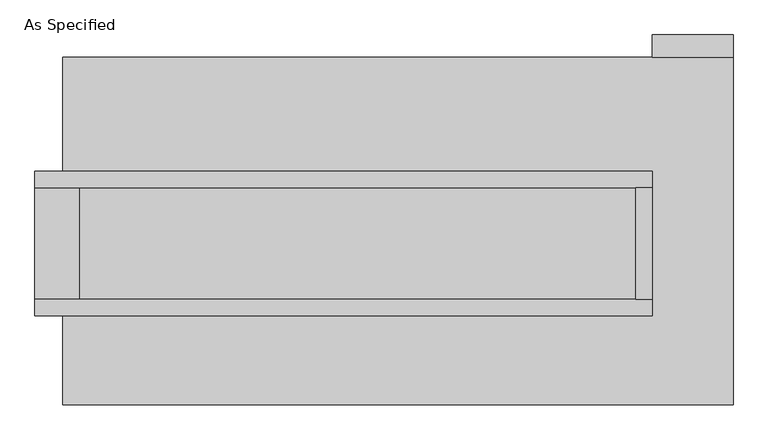
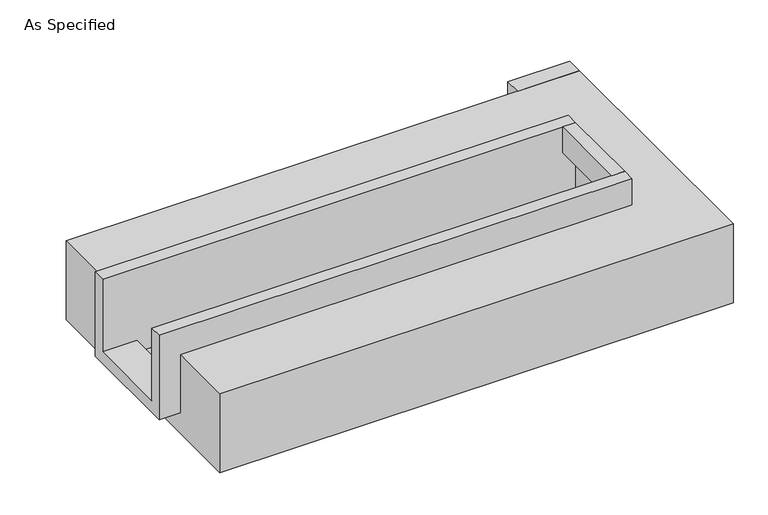
"""IFC4 building model written with IfcOpenShell, lengths in millimetres: proxy geometry, As Specified."""

from ifc_helpers import new_model, si_unit, frame, origin, place, context, project, spatial, polyline, outline, extrude, faceted_brep, source, transform, mapped, element, save


def as_specified_467fb913(model_context):
    return source(origin(), model_context, "Body", "SolidModel", [
        extrude(outline(polyline([(1631.95, 793.75), (1263.65, 793.75), (1263.65, 895.35), (1631.95, 895.35), (1631.95, 793.75)])), frame((0.0, 0.0, -523.9742188), z_axis=(0.0, 0.0, 1.0), x_axis=(1.0, 0.0, 0.0)), (0.0, 0.0, 1.0), 498.5742187),
        extrude(outline(polyline([(1187.45, 196.85), (1263.65, 196.85), (1263.65, -311.15), (1187.45, -311.15), (1187.45, 196.85)])), frame((0.0, 0.0, -25.4), z_axis=(0.0, 0.0, 1.0), x_axis=(1.0, 0.0, 0.0)), (0.0, 0.0, 1.0), 165.1),
        faceted_brep([(1263.65, 196.85, 139.7), (1263.65, 196.85, -317.5), (1263.65, -311.15, -317.5), (1263.65, -311.15, 139.7), (1263.65, -387.35, 139.7), (1263.65, -387.35, -393.7), (1263.65, 273.05, -393.7), (1263.65, 273.05, 139.7), (-1555.75, 196.85, 139.7), (-1555.75, 273.05, 139.7), (-1555.75, 273.05, -393.7), (-1555.75, -387.35, -393.7), (-1555.75, -387.35, 139.7), (-1555.75, -311.15, 139.7), (-1555.75, -311.15, -317.5), (-1555.75, 196.85, -317.5), (-1352.55, 196.85, -393.7), (-1352.55, -311.15, -393.7), (1187.45, -311.15, -393.7), (1187.45, 196.85, -393.7), (1187.45, -311.15, -317.5), (-1352.55, -311.15, -317.5), (1187.45, 196.85, -317.5), (-1352.55, 196.85, -317.5)], [[[0, 1, 2, 3, 4, 5, 6, 7]], [[8, 9, 10, 11, 12, 13, 14, 15]], [[0, 7, 9, 8]], [[7, 6, 10, 9]], [[6, 5, 11, 10], [16, 17, 18, 19]], [[4, 3, 13, 12]], [[3, 2, 20, 18, 17, 21, 14, 13]], [[2, 1, 22, 20]], [[15, 14, 21, 23]], [[1, 0, 8, 15, 23, 16, 19, 22]], [[21, 17, 16, 23]], [[18, 20, 22, 19]], [[5, 4, 12, 11]]]),
        faceted_brep([(1631.95, 793.75, -523.9742188), (1631.95, -793.75, -523.9742188), (-1428.75, -793.75, -523.9742188), (-1428.75, 793.75, -523.9742188), (-1428.75, 793.75, -25.4), (-1428.75, 273.05, -25.4), (1263.65, 273.05, -25.4), (1263.65, -387.35, -25.4), (-1428.75, -387.35, -25.4), (-1428.75, -793.75, -25.4), (1631.95, -793.75, -25.4), (1631.95, 793.75, -25.4), (-1428.75, -387.35, -393.7), (-1428.75, 273.05, -393.7), (1263.65, 273.05, -393.7), (1263.65, -387.35, -393.7)], [[[0, 1, 2, 3]], [[4, 5, 6, 7, 8, 9, 10, 11]], [[0, 3, 4, 11]], [[4, 3, 2, 9, 8, 12, 13, 5]], [[2, 1, 10, 9]], [[14, 15, 7, 6]], [[13, 14, 6, 5]], [[15, 14, 13, 12]], [[15, 12, 8, 7]], [[1, 0, 11, 10]]]),
    ])


if __name__ == "__main__":
    model = new_model("IFC4")
    model_context = context("Model", 3, world=origin())
    ifc_project = project(units=[si_unit("LENGTHUNIT", "METRE", prefix="MILLI")], contexts=[model_context])
    site = spatial("IfcSite", under=ifc_project)
    building = spatial("IfcBuilding", under=site)
    placement = place(None, origin())
    as_specified_shape = as_specified_467fb913(model_context)
    element("IfcBuildingElementProxy", 1, Name="As Specified", ObjectType="As Specified", at=placement, inside=building, context=model_context, shape_type="MappedRepresentation", body=[
        mapped(as_specified_shape, transform((0.0, 0.0, 0.0), x_axis=(1.0, 0.0, 0.0), y_axis=(0.0, 1.0, 0.0), z_axis=(0.0, 0.0, 1.0))),
    ])
    save(model, "model.ifc")
